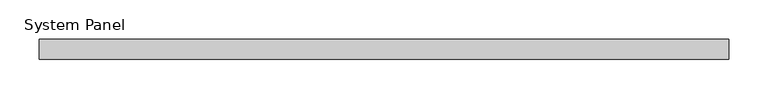
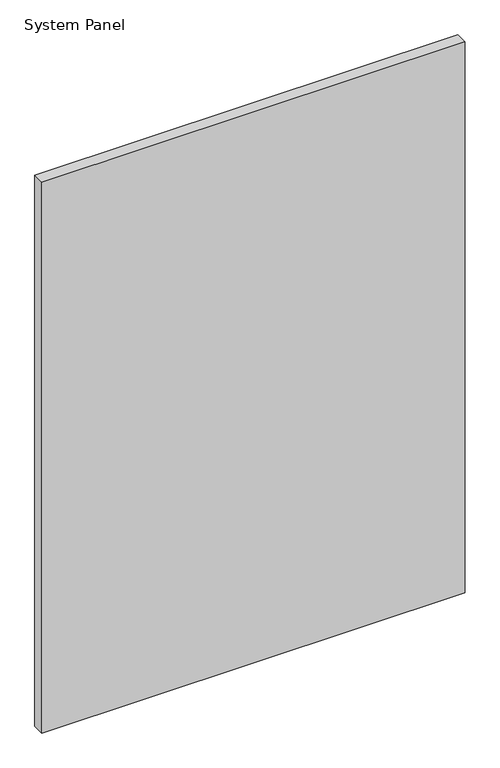
"""IFC4 building model written with IfcOpenShell, lengths in millimetres: plate geometry, System Panel."""

from ifc_helpers import new_model, si_unit, origin, origin_with_axes, place, context, project, spatial, polyline, outline, extrude, source, transform, mapped, element, save


def system_panel_3a0ef560(model_context):
    return source(origin(), model_context, "Body", "SweptSolid", [
        extrude(outline(polyline([(438.15, 19.05), (-438.15, 19.05), (-438.15, 44.45), (438.15, 44.45), (438.15, 19.05)])), origin_with_axes(), (0.0, 0.0, 1.0), 1206.5),
    ])


if __name__ == "__main__":
    model = new_model("IFC4")
    model_context = context("Model", 3, world=origin())
    ifc_project = project(units=[si_unit("LENGTHUNIT", "METRE", prefix="MILLI")], contexts=[model_context])
    site = spatial("IfcSite", under=ifc_project)
    building = spatial("IfcBuilding", under=site)
    placement = place(None, origin())
    system_panel_shape = system_panel_3a0ef560(model_context)
    element("IfcPlate", 1, ObjectType="System Panel", at=placement, inside=building, context=model_context, shape_type="MappedRepresentation", body=[
        mapped(system_panel_shape, transform((0.0, 0.0, 0.0), x_axis=(1.0, 0.0, 0.0), y_axis=(0.0, 1.0, 0.0), z_axis=(0.0, 0.0, 1.0))),
    ])
    save(model, "model.ifc")
